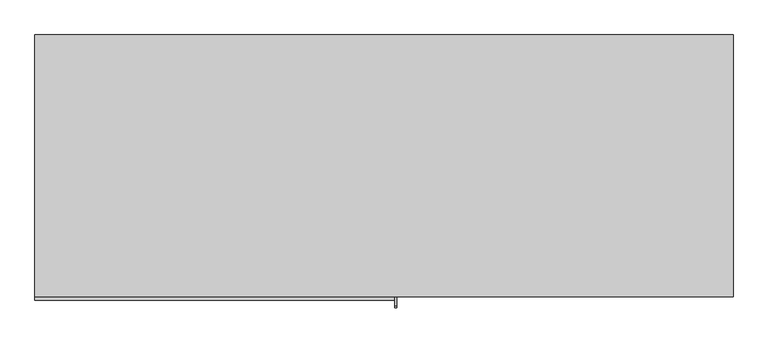
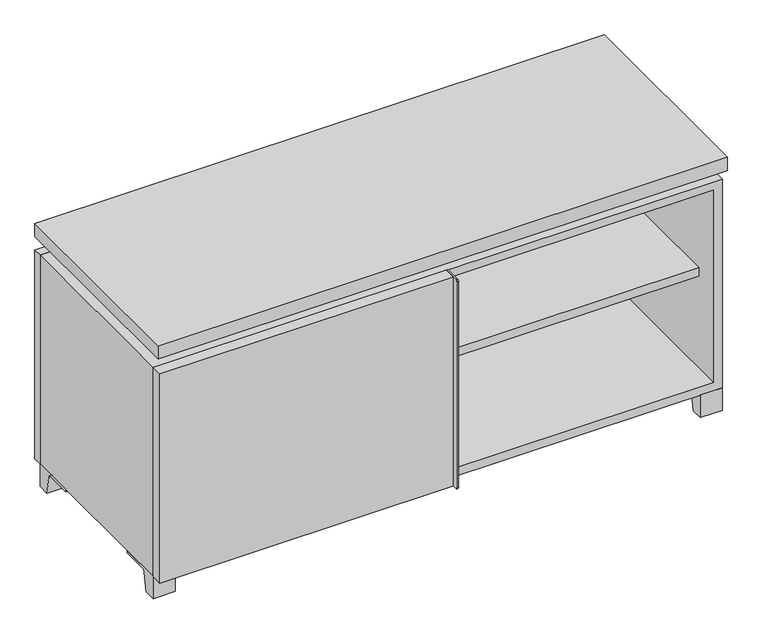
"""IFC4 building model written with IfcOpenShell, lengths in millimetres: furniture geometry."""

from ifc_helpers import new_model, si_unit, point, frame, frame_2d, origin, place, context, project, spatial, polyline, circle_curve, trimmed, segment, composite_curve, outline, extrude, faceted_brep, source, transform, mapped, element, save


def furniture_48965f1a(model_context):
    return source(origin(), model_context, "Body", "SolidModel", [
        extrude(outline(polyline([(9.5319453, 241.3), (590.5569453, 241.3), (590.5569453, -92.075), (9.5319453, -92.075), (9.5319453, 241.3)])), frame((0.0, 0.0, 277.8125), z_axis=(0.0, 0.0, 1.0), x_axis=(1.0, 0.0, 0.0)), (0.0, 0.0, 1.0), 19.05),
        extrude(outline(polyline([(-9.5041641, 241.3), (-9.5041641, -92.075), (-590.5291641, -92.075), (-590.5291641, 241.3), (-9.5041641, 241.3)])), frame((0.0, 0.0, 277.8125), z_axis=(0.0, 0.0, 1.0), x_axis=(1.0, 0.0, 0.0)), (0.0, 0.0, 1.0), 19.05),
        extrude(outline(polyline([(609.6138906, 292.1), (609.6138906, -165.1), (-609.5861094, -165.1), (-609.5861094, 292.1), (609.6138906, 292.1)])), frame((0.0, 0.0, 554.0375), z_axis=(0.0, 0.0, 1.0), x_axis=(1.0, 0.0, 0.0)), (0.0, 0.0, 1.0), 30.1625),
        extrude(outline(composite_curve([segment(polyline([(-146.05, 523.875), (-146.05, 50.8), (-180.975, 50.8)]), True, "CONTINUOUS"), segment(trimmed(circle_curve(frame_2d((-180.975, 53.975)), 3.175), [point((-180.975, 50.8))], [point((-184.15, 53.975))], False, "CARTESIAN"), True, "CONTINUOUS"), segment(polyline([(-184.15, 53.975), (-184.15, 520.7)]), True, "CONTINUOUS"), segment(trimmed(circle_curve(frame_2d((-180.975, 520.7)), 3.175), [point((-184.15, 520.7))], [point((-180.975, 523.875))], False, "CARTESIAN"), True, "CONTINUOUS"), segment(polyline([(-180.975, 523.875), (-146.05, 523.875)]), True, "CONTINUOUS")], self_intersect=False)), frame((19.0638906, 0.0, 0.0), z_axis=(1.0, 0.0, 0.0), x_axis=(0.0, 1.0, 0.0)), (0.0, 0.0, 1.0), 3.175),
        extrude(outline(polyline([(-609.5861094, -146.05), (19.0638906, -146.05), (19.0638906, -171.45), (-609.5861094, -171.45), (-609.5861094, -146.05)])), frame((0.0, 0.0, 50.8), z_axis=(0.0, 0.0, 1.0), x_axis=(1.0, 0.0, 0.0)), (0.0, 0.0, 1.0), 473.075),
        extrude(outline(composite_curve([segment(polyline([(-120.6500136, 0.0), (-146.05, 0.0), (-146.05, 50.8), (-50.8, 50.8), (-50.8, 46.0213321), (-107.6005345, 46.0213321)]), True, "CONTINUOUS"), segment(trimmed(circle_curve(frame_2d((-107.6005345, 39.6713321)), 6.35), [point((-107.6005345, 46.0213321))], [point((-113.8641359, 40.7152656))], True, "CARTESIAN"), True, "CONTINUOUS"), segment(polyline([(-113.8641359, 40.7152656), (-120.6500136, 0.0)]), True, "CONTINUOUS")], self_intersect=False)), frame((561.9888906, 0.0, 0.0), z_axis=(1.0, 0.0, 0.0), x_axis=(0.0, 1.0, 0.0)), (0.0, 0.0, 1.0), 47.625),
        extrude(outline(composite_curve([segment(polyline([(247.6500136, 0.0), (240.8641359, 40.7152656)]), True, "CONTINUOUS"), segment(trimmed(circle_curve(frame_2d((234.6005345, 39.6713321)), 6.35), [point((240.8641359, 40.7152656))], [point((234.6005345, 46.0213321))], True, "CARTESIAN"), True, "CONTINUOUS"), segment(polyline([(234.6005345, 46.0213321), (177.8, 46.0213321), (177.8, 50.8), (273.05, 50.8), (273.05, 0.0), (247.6500136, 0.0)]), True, "CONTINUOUS")], self_intersect=False)), frame((561.9888906, 0.0, 0.0), z_axis=(1.0, 0.0, 0.0), x_axis=(0.0, 1.0, 0.0)), (0.0, 0.0, 1.0), 47.625),
        extrude(outline(composite_curve([segment(polyline([(-120.6500136, 0.0), (-146.05, 0.0), (-146.05, 50.8), (-50.8, 50.8), (-50.8, 46.0213321), (-107.6005345, 46.0213321)]), True, "CONTINUOUS"), segment(trimmed(circle_curve(frame_2d((-107.6005345, 39.6713321)), 6.35), [point((-107.6005345, 46.0213321))], [point((-113.8641359, 40.7152656))], True, "CARTESIAN"), True, "CONTINUOUS"), segment(polyline([(-113.8641359, 40.7152656), (-120.6500136, 0.0)]), True, "CONTINUOUS")], self_intersect=False)), frame((-609.5861094, 0.0, 0.0), z_axis=(1.0, 0.0, 0.0), x_axis=(0.0, 1.0, 0.0)), (0.0, 0.0, 1.0), 47.625),
        extrude(outline(composite_curve([segment(polyline([(247.6500136, 0.0), (240.8641359, 40.7152656)]), True, "CONTINUOUS"), segment(trimmed(circle_curve(frame_2d((234.6005345, 39.6713321)), 6.35), [point((240.8641359, 40.7152656))], [point((234.6005345, 46.0213321))], True, "CARTESIAN"), True, "CONTINUOUS"), segment(polyline([(234.6005345, 46.0213321), (177.8, 46.0213321), (177.8, 50.8), (273.05, 50.8), (273.05, 0.0), (247.6500136, 0.0)]), True, "CONTINUOUS")], self_intersect=False)), frame((-609.5861094, 0.0, 0.0), z_axis=(1.0, 0.0, 0.0), x_axis=(0.0, 1.0, 0.0)), (0.0, 0.0, 1.0), 47.625),
        faceted_brep([(7.9513906, -120.65, 554.0375), (7.9513906, -120.65, 523.875), (7.9513906, 53.975, 523.875), (7.9513906, 53.975, 554.0375), (7.9513906, 247.65, 523.875), (7.9513906, 247.65, 554.0375), (7.9513906, 73.025, 554.0375), (7.9513906, 73.025, 523.875), (-7.9236094, 247.65, 554.0375), (-7.9236094, 247.65, 523.875), (-7.9236094, 73.025, 523.875), (-7.9236094, 73.025, 554.0375), (-7.9236094, -120.65, 523.875), (-7.9236094, -120.65, 554.0375), (-7.9236094, 53.975, 554.0375), (-7.9236094, 53.975, 523.875), (-568.2833281, 73.025, 554.0375), (-568.3041641, 247.65, 554.0375), (-584.1791641, 247.65, 554.0375), (-584.1791641, -120.65, 554.0375), (-568.3041641, -120.65, 554.0375), (-568.3041641, 53.975, 554.0375), (568.3111094, 53.975, 554.0375), (568.3111094, -120.65, 554.0375), (584.1861094, -120.65, 554.0375), (584.1861094, 247.65, 554.0375), (568.3111094, 247.65, 554.0375), (568.3111094, 73.025, 554.0375), (-568.2833281, 53.975, 523.875), (-568.3041641, -120.65, 523.875), (-584.1791641, -120.65, 523.875), (-584.1791641, 247.65, 523.875), (-568.3041641, 247.65, 523.875), (-568.3041641, 73.025, 523.875), (568.3111094, 73.025, 523.875), (568.3111094, 247.65, 523.875), (584.1861094, 247.65, 523.875), (584.1861094, -120.65, 523.875), (568.3111094, -120.65, 523.875), (568.3111094, 53.975, 523.875)], [[[0, 1, 2, 3]], [[4, 5, 6, 7]], [[8, 9, 10, 11]], [[12, 13, 14, 15]], [[5, 8, 11, 16, 17, 18, 19, 20, 21, 14, 13, 0, 3, 22, 23, 24, 25, 26, 27, 6]], [[1, 12, 15, 28, 29, 30, 31, 32, 33, 10, 9, 4, 7, 34, 35, 36, 37, 38, 39, 2]], [[5, 4, 9, 8]], [[1, 0, 13, 12]], [[6, 27, 34, 7]], [[22, 3, 2, 39]], [[20, 29, 28, 21]], [[32, 17, 16, 33]], [[18, 31, 30, 19]], [[29, 20, 19, 30]], [[17, 32, 31, 18]], [[26, 35, 34, 27]], [[38, 23, 22, 39]], [[25, 24, 37, 36]], [[23, 38, 37, 24]], [[35, 26, 25, 36]], [[16, 11, 10, 33]], [[14, 21, 28, 15]]]),
        extrude(outline(polyline([(9.5388906, 241.3), (9.5388906, -95.25), (-9.5111094, -95.25), (-9.5111094, 241.3), (9.5388906, 241.3)])), frame((0.0, 0.0, 69.85), z_axis=(0.0, 0.0, 1.0), x_axis=(1.0, 0.0, 0.0)), (0.0, 0.0, 1.0), 434.975),
        extrude(outline(polyline([(15.8888906, -88.9), (15.8888906, -146.05), (-9.5111094, -146.05), (-9.5111094, -120.65), (3.1888906, -120.65), (3.1888906, -88.9), (15.8888906, -88.9)])), frame((0.0, 0.0, 69.85), z_axis=(0.0, 0.0, 1.0), x_axis=(1.0, 0.0, 0.0)), (0.0, 0.0, 1.0), 434.975),
        extrude(outline(polyline([(609.6138906, 273.05), (-609.5861094, 273.05), (-609.5861094, 292.1), (609.6138906, 292.1), (609.6138906, 273.05)])), frame((0.0, 0.0, 50.8), z_axis=(0.0, 0.0, 1.0), x_axis=(1.0, 0.0, 0.0)), (0.0, 0.0, 1.0), 473.075),
        extrude(outline(polyline([(50.8, -609.5861094), (50.8, 609.6), (523.875, 609.6), (523.875, -609.5861094), (50.8, -609.5861094)]), holes=[polyline([(69.85, -590.5361094), (504.825, -590.5361094), (504.825, 590.5361094), (69.85, 590.5361094), (69.85, -590.5361094)])]), frame((0.0, -146.05, 0.0), z_axis=(0.0, 1.0, 0.0), x_axis=(0.0, 0.0, 1.0)), (0.0, 0.0, 1.0), 419.1),
        extrude(outline(polyline([(-590.5291641, 241.3), (-590.5291641, 247.65), (590.5569453, 247.65), (590.5569453, 241.3), (-590.5291641, 241.3)])), frame((0.0, 0.0, 69.85), z_axis=(0.0, 0.0, 1.0), x_axis=(1.0, 0.0, 0.0)), (0.0, 0.0, 1.0), 434.975),
    ])


if __name__ == "__main__":
    model = new_model("IFC4")
    model_context = context("Model", 3, world=origin())
    ifc_project = project(units=[si_unit("LENGTHUNIT", "METRE", prefix="MILLI")], contexts=[model_context])
    site = spatial("IfcSite", under=ifc_project)
    building = spatial("IfcBuilding", under=site)
    placement = place(None, origin())
    furniture_shape = furniture_48965f1a(model_context)
    element("IfcFurniture", 1, at=placement, inside=building, context=model_context, shape_type="MappedRepresentation", body=[
        mapped(furniture_shape, transform((0.0, 0.0, 0.0), x_axis=(1.0, 0.0, 0.0), y_axis=(0.0, 1.0, 0.0), z_axis=(0.0, 0.0, 1.0))),
    ])
    save(model, "model.ifc")
